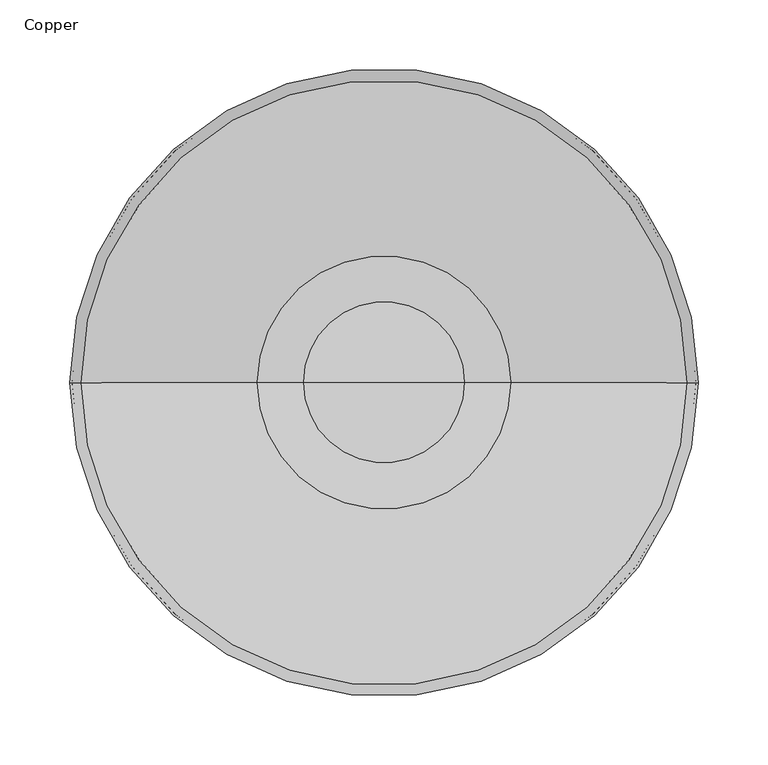
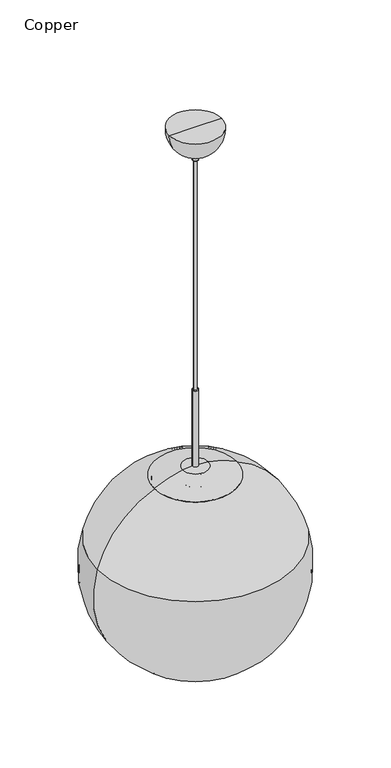
"""IFC4 building model written with IfcOpenShell, lengths in millimetres: furniture geometry, Copper."""

from ifc_helpers import new_model, si_unit, point, frame, origin, place, context, project, spatial, polyline, circle_curve, ellipse_curve, trimmed, source, transform, mapped, element, save
from ifc_brep_helpers import plane_surface, cylinder_surface, revolved_surface, advanced_brep


def copper_a694e643(model_context):
    return source(origin(), model_context, "Body", "AdvancedBrep", [
        advanced_brep(
        [(6.5, 0.0, 1676.4), (-6.5, 0.0, 1676.4), (0.0, 0.0, 1676.4), (6.5, 0.0, 1499.9703979), (-6.5, 0.0, 1499.9703979), (27.7483406, 0.0, 1498.2436523), (-27.7483406, 0.0, 1498.2436523), (90.4472961, 0.0, 1477.15979), (-90.4472961, 0.0, 1477.15979), (89.9688721, 0.0, 1476.2429199), (-89.9688721, 0.0, 1476.2429199), (216.3168679, 0.0, 1333.4532173), (-216.3168679, 0.0, 1333.4532173), (134.9501953, 0.0, 1090.6081543), (-134.9501953, 0.0, 1090.6081543), (131.9643171, 0.0, 1090.6081543), (-131.9643171, 0.0, 1090.6081543), (214.6086103, 0.0, 1332.9601252), (-214.6086103, 0.0, 1332.9601252), (84.5, 0.0, 1476.5761894), (-84.5, 0.0, 1476.5761894), (84.5, 0.0, 1463.8973999), (-84.5, 0.0, 1463.8973999), (24.762, 0.0, 1463.8973999), (-24.762, 0.0, 1463.8973999), (24.0, 0.0, 1463.1353999), (-24.0, 0.0, 1463.1353999), (24.0, 0.0, 1415.8973999), (-24.0, 0.0, 1415.8973999), (22.984, 0.0, 1415.8973999), (-22.984, 0.0, 1415.8973999), (22.984, 0.0, 1463.1353999), (-22.984, 0.0, 1463.1353999), (22.222, 0.0, 1463.8973999), (-22.222, 0.0, 1463.8973999), (0.0, 0.0, 1463.8973999)],
        [
            (0, 1, circle_curve(frame((0.0, 0.0, 1676.4), z_axis=(0.0, 0.0, 1.0), x_axis=(-1.0, 0.0, 0.0)), 6.5)),
            (1, 2),
            (2, 0),
            (1, 0, circle_curve(frame((0.0, 0.0, 1676.4), z_axis=(0.0, 0.0, 1.0), x_axis=(-1.0, 0.0, 0.0)), 6.5)),
            (3, 4, circle_curve(frame((0.0, 0.0, 1499.9703979), z_axis=(0.0, 0.0, 1.0), x_axis=(-1.0, 0.0, 0.0)), 6.5)),
            (4, 1),
            (0, 3),
            (4, 3, circle_curve(frame((0.0, 0.0, 1499.9703979), z_axis=(0.0, 0.0, 1.0), x_axis=(-1.0, 0.0, 0.0)), 6.5)),
            (5, 6, circle_curve(frame((0.0, 0.0, 1498.2436523), z_axis=(0.0, 0.0, 1.0), x_axis=(-1.0, 0.0, 0.0)), 27.7483406)),
            (6, 4, circle_curve(frame((-5.830853, 0.0, 1360.1379422), z_axis=(0.0, 1.0, 0.0), x_axis=(1.0, 0.0, 0.0)), 139.8340568)),
            (3, 5, circle_curve(frame((5.830853, 0.0, 1360.1379422), z_axis=(0.0, 1.0, 0.0), x_axis=(-1.0, 0.0, 0.0)), 139.8340568)),
            (6, 5, circle_curve(frame((0.0, 0.0, 1498.2436523), z_axis=(0.0, 0.0, 1.0), x_axis=(-1.0, 0.0, 0.0)), 27.7483406)),
            (7, 8, circle_curve(frame((0.0, 0.0, 1477.15979), z_axis=(0.0, 0.0, 1.0), x_axis=(-1.0, 0.0, 0.0)), 90.4472961)),
            (8, 6, circle_curve(frame((3.4379908, 0.0, 1301.7334264), z_axis=(0.0, 1.0, 0.0), x_axis=(1.0, 0.0, 0.0)), 198.9694855)),
            (5, 7, circle_curve(frame((-3.4379908, 0.0, 1301.7334264), z_axis=(0.0, 1.0, 0.0), x_axis=(-1.0, 0.0, 0.0)), 198.9694855)),
            (8, 7, circle_curve(frame((0.0, 0.0, 1477.15979), z_axis=(0.0, 0.0, 1.0), x_axis=(-1.0, 0.0, 0.0)), 90.4472961)),
            (9, 10, circle_curve(frame((0.0, 0.0, 1476.2429199), z_axis=(0.0, 0.0, 1.0), x_axis=(-1.0, 0.0, 0.0)), 89.9688721)),
            (10, 8),
            (7, 9),
            (10, 9, circle_curve(frame((0.0, 0.0, 1476.2429199), z_axis=(0.0, 0.0, 1.0), x_axis=(-1.0, 0.0, 0.0)), 89.9688721)),
            (11, 12, circle_curve(frame((0.0, 0.0, 1333.4532173), z_axis=(0.0, 0.0, 1.0), x_axis=(-1.0, 0.0, 0.0)), 216.3168679)),
            (12, 10, circle_curve(frame((-2.8075412, 0.0, 1271.8232975), z_axis=(0.0, 1.0, 0.0), x_axis=(1.0, 0.0, 0.0)), 222.2261902)),
            (9, 11, circle_curve(frame((2.8075412, 0.0, 1271.8232975), z_axis=(0.0, 1.0, 0.0), x_axis=(-1.0, 0.0, 0.0)), 222.2261902)),
            (12, 11, circle_curve(frame((0.0, 0.0, 1333.4532173), z_axis=(0.0, 0.0, 1.0), x_axis=(-1.0, 0.0, 0.0)), 216.3168679)),
            (13, 14, circle_curve(frame((0.0, 0.0, 1090.6081543), z_axis=(0.0, 0.0, 1.0), x_axis=(-1.0, 0.0, 0.0)), 134.9501953)),
            (14, 12, circle_curve(frame((0.2166991, 0.0, 1270.9503442), z_axis=(0.0, 1.0, 0.0), x_axis=(1.0, 0.0, 0.0)), 225.3739)),
            (11, 13, circle_curve(frame((-0.2166991, 0.0, 1270.9503442), z_axis=(0.0, 1.0, 0.0), x_axis=(-1.0, 0.0, 0.0)), 225.3739)),
            (14, 13, circle_curve(frame((0.0, 0.0, 1090.6081543), z_axis=(0.0, 0.0, 1.0), x_axis=(-1.0, 0.0, 0.0)), 134.9501953)),
            (15, 16, circle_curve(frame((0.0, 0.0, 1090.6081543), z_axis=(0.0, 0.0, 1.0), x_axis=(-1.0, 0.0, 0.0)), 131.9643171)),
            (16, 14),
            (13, 15),
            (16, 15, circle_curve(frame((0.0, 0.0, 1090.6081543), z_axis=(0.0, 0.0, 1.0), x_axis=(-1.0, 0.0, 0.0)), 131.9643171)),
            (17, 18, circle_curve(frame((0.0, 0.0, 1332.9601252), z_axis=(0.0, 0.0, 1.0), x_axis=(-1.0, 0.0, 0.0)), 214.6086103)),
            (18, 16, circle_curve(frame((0.2166991, 0.0, 1270.9503442), z_axis=(0.0, -1.0, 0.0), x_axis=(1.0, 0.0, 0.0)), 223.5959)),
            (15, 17, circle_curve(frame((-0.2166991, 0.0, 1270.9503442), z_axis=(0.0, -1.0, 0.0), x_axis=(-1.0, 0.0, 0.0)), 223.5959)),
            (18, 17, circle_curve(frame((0.0, 0.0, 1332.9601252), z_axis=(0.0, 0.0, 1.0), x_axis=(-1.0, 0.0, 0.0)), 214.6086103)),
            (19, 20, circle_curve(frame((0.0, 0.0, 1476.5761894), z_axis=(0.0, 0.0, 1.0), x_axis=(-1.0, 0.0, 0.0)), 84.5)),
            (20, 18, circle_curve(frame((-2.8075412, 0.0, 1271.8232975), z_axis=(0.0, -1.0, 0.0), x_axis=(1.0, 0.0, 0.0)), 220.4481902)),
            (17, 19, circle_curve(frame((2.8075412, 0.0, 1271.8232975), z_axis=(0.0, -1.0, 0.0), x_axis=(-1.0, 0.0, 0.0)), 220.4481902)),
            (20, 19, circle_curve(frame((0.0, 0.0, 1476.5761894), z_axis=(0.0, 0.0, 1.0), x_axis=(-1.0, 0.0, 0.0)), 84.5)),
            (21, 22, circle_curve(frame((0.0, 0.0, 1463.8973999), z_axis=(0.0, 0.0, 1.0), x_axis=(-1.0, 0.0, 0.0)), 84.5)),
            (22, 20),
            (19, 21),
            (22, 21, circle_curve(frame((0.0, 0.0, 1463.8973999), z_axis=(0.0, 0.0, 1.0), x_axis=(-1.0, 0.0, 0.0)), 84.5)),
            (23, 24, circle_curve(frame((0.0, 0.0, 1463.8973999), z_axis=(0.0, 0.0, 1.0), x_axis=(-1.0, 0.0, 0.0)), 24.762)),
            (24, 22),
            (21, 23),
            (24, 23, circle_curve(frame((0.0, 0.0, 1463.8973999), z_axis=(0.0, 0.0, 1.0), x_axis=(-1.0, 0.0, 0.0)), 24.762)),
            (25, 26, circle_curve(frame((0.0, 0.0, 1463.1353999), z_axis=(0.0, 0.0, 1.0), x_axis=(-1.0, 0.0, 0.0)), 24.0)),
            (26, 24, circle_curve(frame((-24.762, 0.0, 1463.1353999), z_axis=(0.0, -1.0, 0.0), x_axis=(1.0, 0.0, 0.0)), 0.762)),
            (23, 25, circle_curve(frame((24.762, 0.0, 1463.1353999), z_axis=(0.0, -1.0, 0.0), x_axis=(-1.0, 0.0, 0.0)), 0.762)),
            (26, 25, circle_curve(frame((0.0, 0.0, 1463.1353999), z_axis=(0.0, 0.0, 1.0), x_axis=(-1.0, 0.0, 0.0)), 24.0)),
            (27, 28, circle_curve(frame((0.0, 0.0, 1415.8973999), z_axis=(0.0, 0.0, 1.0), x_axis=(-1.0, 0.0, 0.0)), 24.0)),
            (28, 26),
            (25, 27),
            (28, 27, circle_curve(frame((0.0, 0.0, 1415.8973999), z_axis=(0.0, 0.0, 1.0), x_axis=(-1.0, 0.0, 0.0)), 24.0)),
            (29, 30, circle_curve(frame((0.0, 0.0, 1415.8973999), z_axis=(0.0, 0.0, 1.0), x_axis=(-1.0, 0.0, 0.0)), 22.984)),
            (30, 28),
            (27, 29),
            (30, 29, circle_curve(frame((0.0, 0.0, 1415.8973999), z_axis=(0.0, 0.0, 1.0), x_axis=(-1.0, 0.0, 0.0)), 22.984)),
            (31, 32, circle_curve(frame((0.0, 0.0, 1463.1353999), z_axis=(0.0, 0.0, 1.0), x_axis=(-1.0, 0.0, 0.0)), 22.984)),
            (32, 30),
            (29, 31),
            (32, 31, circle_curve(frame((0.0, 0.0, 1463.1353999), z_axis=(0.0, 0.0, 1.0), x_axis=(-1.0, 0.0, 0.0)), 22.984)),
            (33, 34, circle_curve(frame((0.0, 0.0, 1463.8973999), z_axis=(0.0, 0.0, 1.0), x_axis=(-1.0, 0.0, 0.0)), 22.222)),
            (34, 32, circle_curve(frame((-22.222, 0.0, 1463.1353999), z_axis=(0.0, -1.0, 0.0), x_axis=(1.0, 0.0, 0.0)), 0.762)),
            (31, 33, circle_curve(frame((22.222, 0.0, 1463.1353999), z_axis=(0.0, -1.0, 0.0), x_axis=(-1.0, 0.0, 0.0)), 0.762)),
            (34, 33, circle_curve(frame((0.0, 0.0, 1463.8973999), z_axis=(0.0, 0.0, 1.0), x_axis=(-1.0, 0.0, 0.0)), 22.222)),
            (35, 34),
            (33, 35),
        ],
        [
            plane_surface(frame((0.0, 0.0, 1676.4), z_axis=(0.0, 0.0, 1.0), x_axis=(-1.0, 0.0, 0.0))),
            cylinder_surface(frame((0.0, 0.0, 1045.5765484), z_axis=(0.0, 0.0, -1.0), x_axis=(-1.0, 0.0, 0.0)), 6.5),
            revolved_surface(trimmed(ellipse_curve(frame((-5.830853, 0.0, 1360.1379422), z_axis=(0.0, -1.0, 0.0), x_axis=(1.0, 0.0, 0.0)), 139.8340568, 139.8340568), [point((-6.5, 0.0, 1499.9703979))], [point((-27.7483406, 0.0, 1498.2436523))], True, "CARTESIAN"), (0.0, 0.0, 1045.5765484), (0.0, 0.0, -1.0)),
            revolved_surface(trimmed(ellipse_curve(frame((3.4379908, 0.0, 1301.7334264), z_axis=(0.0, -1.0, 0.0), x_axis=(1.0, 0.0, 0.0)), 198.9694855, 198.9694855), [point((-27.7483406, 0.0, 1498.2436523))], [point((-90.4472961, 0.0, 1477.15979))], True, "CARTESIAN"), (0.0, 0.0, 1045.5765484), (0.0, 0.0, -1.0)),
            revolved_surface(polyline([(-90.4472961, 0.0, 1477.15979), (-89.9688721, 0.0, 1476.2429199)]), (0.0, 0.0, 1045.5765484), (0.0, 0.0, -1.0)),
            revolved_surface(trimmed(ellipse_curve(frame((-2.8075412, 0.0, 1271.8232975), z_axis=(0.0, -1.0, 0.0), x_axis=(1.0, 0.0, 0.0)), 222.2261902, 222.2261902), [point((-89.9688721, 0.0, 1476.2429199))], [point((-216.3168679, 0.0, 1333.4532173))], True, "CARTESIAN"), (0.0, 0.0, 1045.5765484), (0.0, 0.0, -1.0)),
            revolved_surface(trimmed(ellipse_curve(frame((0.2166991, 0.0, 1270.9503442), z_axis=(0.0, -1.0, 0.0), x_axis=(1.0, 0.0, 0.0)), 225.3739, 225.3739), [point((-216.3168679, 0.0, 1333.4532173))], [point((-134.9501953, 0.0, 1090.6081543))], True, "CARTESIAN"), (0.0, 0.0, 1045.5765484), (0.0, 0.0, -1.0)),
            plane_surface(frame((0.0, 0.0, 1090.6081543), z_axis=(0.0, 0.0, -1.0), x_axis=(-1.0, 0.0, 0.0))),
            revolved_surface(trimmed(ellipse_curve(frame((0.2166991, 0.0, 1270.9503442), z_axis=(0.0, 1.0, 0.0), x_axis=(1.0, 0.0, 0.0)), 223.5959, 223.5959), [point((-131.9643171, 0.0, 1090.6081543))], [point((-214.6086103, 0.0, 1332.9601252))], True, "CARTESIAN"), (0.0, 0.0, 1045.5765484), (0.0, 0.0, -1.0)),
            revolved_surface(trimmed(ellipse_curve(frame((-2.8075412, 0.0, 1271.8232975), z_axis=(0.0, 1.0, 0.0), x_axis=(1.0, 0.0, 0.0)), 220.4481902, 220.4481902), [point((-214.6086103, 0.0, 1332.9601252))], [point((-84.5, 0.0, 1476.5761894))], True, "CARTESIAN"), (0.0, 0.0, 1045.5765484), (0.0, 0.0, -1.0)),
            cylinder_surface(frame((0.0, 0.0, 1045.5765484), z_axis=(0.0, 0.0, -1.0), x_axis=(-1.0, 0.0, 0.0)), 84.5),
            plane_surface(frame((0.0, 0.0, 1463.8973999), z_axis=(0.0, 0.0, -1.0), x_axis=(-1.0, 0.0, 0.0))),
            revolved_surface(trimmed(ellipse_curve(frame((-24.762, 0.0, 1463.1353999), z_axis=(0.0, 1.0, 0.0), x_axis=(1.0, 0.0, 0.0)), 0.762, 0.762), [point((-24.762, 0.0, 1463.8973999))], [point((-24.0, 0.0, 1463.1353999))], True, "CARTESIAN"), (0.0, 0.0, 1045.5765484), (0.0, 0.0, -1.0)),
            cylinder_surface(frame((0.0, 0.0, 1045.5765484), z_axis=(0.0, 0.0, -1.0), x_axis=(-1.0, 0.0, 0.0)), 24.0),
            plane_surface(frame((0.0, 0.0, 1415.8973999), z_axis=(0.0, 0.0, -1.0), x_axis=(-1.0, 0.0, 0.0))),
            revolved_surface(polyline([(-22.984, 0.0, 1415.8973999), (-22.984, 0.0, 1463.1353999)]), (0.0, 0.0, 1045.5765484), (0.0, 0.0, -1.0)),
            revolved_surface(trimmed(ellipse_curve(frame((-22.222, 0.0, 1463.1353999), z_axis=(0.0, 1.0, 0.0), x_axis=(1.0, 0.0, 0.0)), 0.762, 0.762), [point((-22.984, 0.0, 1463.1353999))], [point((-22.222, 0.0, 1463.8973999))], True, "CARTESIAN"), (0.0, 0.0, 1045.5765484), (0.0, 0.0, -1.0)),
        ],
        [
            (0, [[1, 2, 3]]),
            (0, [[4, -3, -2]]),
            (1, [[5, 6, -1, 7]]),
            (1, [[8, -7, -4, -6]]),
            (2, [[9, 10, -5, 11]]),
            (2, [[12, -11, -8, -10]]),
            (3, [[13, 14, -9, 15]]),
            (3, [[16, -15, -12, -14]]),
            (4, [[17, 18, -13, 19]]),
            (4, [[20, -19, -16, -18]]),
            (5, [[21, 22, -17, 23]]),
            (5, [[24, -23, -20, -22]]),
            (6, [[25, 26, -21, 27]]),
            (6, [[28, -27, -24, -26]]),
            (7, [[29, 30, -25, 31]]),
            (7, [[32, -31, -28, -30]]),
            (8, [[33, 34, -29, 35]]),
            (8, [[36, -35, -32, -34]]),
            (9, [[37, 38, -33, 39]]),
            (9, [[40, -39, -36, -38]]),
            (10, [[41, 42, -37, 43]]),
            (10, [[44, -43, -40, -42]]),
            (11, [[45, 46, -41, 47]]),
            (11, [[48, -47, -44, -46]]),
            (12, [[49, 50, -45, 51]]),
            (12, [[52, -51, -48, -50]]),
            (13, [[53, 54, -49, 55]]),
            (13, [[56, -55, -52, -54]]),
            (14, [[57, 58, -53, 59]]),
            (14, [[60, -59, -56, -58]]),
            (15, [[61, 62, -57, 63]]),
            (15, [[64, -63, -60, -62]]),
            (16, [[65, 66, -61, 67]]),
            (16, [[68, -67, -64, -66]]),
            (11, [[69, -65, 70]]),
            (11, [[-70, -68, -69]]),
        ],
    ),
        advanced_brep(
        [(3.556, 0.0, 2209.8), (-3.556, 0.0, 2209.8), (0.0, 0.0, 2209.8), (3.556, 0.0, 1676.4), (-3.556, 0.0, 1676.4), (0.0, 0.0, 1676.4)],
        [
            (0, 1, circle_curve(frame((0.0, 0.0, 2209.8), z_axis=(0.0, 0.0, 1.0), x_axis=(-1.0, 0.0, 0.0)), 3.556)),
            (1, 2),
            (2, 0),
            (1, 0, circle_curve(frame((0.0, 0.0, 2209.8), z_axis=(0.0, 0.0, 1.0), x_axis=(-1.0, 0.0, 0.0)), 3.556)),
            (3, 4, circle_curve(frame((0.0, 0.0, 1676.4), z_axis=(0.0, 0.0, 1.0), x_axis=(-1.0, 0.0, 0.0)), 3.556)),
            (4, 1),
            (0, 3),
            (4, 3, circle_curve(frame((0.0, 0.0, 1676.4), z_axis=(0.0, 0.0, 1.0), x_axis=(-1.0, 0.0, 0.0)), 3.556)),
            (5, 4),
            (3, 5),
        ],
        [
            plane_surface(frame((0.0, 0.0, 2209.8), z_axis=(0.0, 0.0, 1.0), x_axis=(-1.0, 0.0, 0.0))),
            cylinder_surface(frame((0.0, 0.0, 2421.4288111), z_axis=(0.0, 0.0, -1.0), x_axis=(-1.0, 0.0, 0.0)), 3.556),
            plane_surface(frame((0.0, 0.0, 1676.4), z_axis=(0.0, 0.0, -1.0), x_axis=(-1.0, 0.0, 0.0))),
        ],
        [
            (0, [[1, 2, 3]]),
            (0, [[4, -3, -2]]),
            (1, [[5, 6, -1, 7]]),
            (1, [[8, -7, -4, -6]]),
            (2, [[9, -5, 10]]),
            (2, [[-10, -8, -9]]),
        ],
    ),
        advanced_brep(
        [(57.4224398, 0.0, 2286.0), (-57.4224398, 0.0, 2286.0), (0.0, 0.0, 2286.0), (11.2391644, 0.0, 2226.2351074), (-11.2391644, 0.0, 2226.2351074), (7.2539285, 0.0, 2226.2351074), (-7.2539285, 0.0, 2226.2351074), (6.4923271, 0.0, 2225.4977527), (-6.4923271, 0.0, 2225.4977527), (6.0082113, 0.0, 2210.5373547), (-6.0082113, 0.0, 2210.5373547), (5.2466099, 0.0, 2209.8), (-5.2466099, 0.0, 2209.8), (0.0, 0.0, 2209.8)],
        [
            (0, 1, circle_curve(frame((0.0, 0.0, 2286.0), z_axis=(0.0, 0.0, 1.0), x_axis=(-1.0, 0.0, 0.0)), 57.4224398)),
            (1, 2),
            (2, 0),
            (1, 0, circle_curve(frame((0.0, 0.0, 2286.0), z_axis=(0.0, 0.0, 1.0), x_axis=(-1.0, 0.0, 0.0)), 57.4224398)),
            (3, 4, circle_curve(frame((0.0, 0.0, 2226.2351074), z_axis=(0.0, 0.0, 1.0), x_axis=(-1.0, 0.0, 0.0)), 11.2391644)),
            (4, 1, circle_curve(frame((-0.0218276, 0.0, 2282.6297877), z_axis=(0.0, 1.0, 0.0), x_axis=(1.0, 0.0, 0.0)), 57.4994662)),
            (0, 3, circle_curve(frame((0.0218276, 0.0, 2282.6297877), z_axis=(0.0, 1.0, 0.0), x_axis=(-1.0, 0.0, 0.0)), 57.4994662)),
            (4, 3, circle_curve(frame((0.0, 0.0, 2226.2351074), z_axis=(0.0, 0.0, 1.0), x_axis=(-1.0, 0.0, 0.0)), 11.2391644)),
            (5, 6, circle_curve(frame((0.0, 0.0, 2226.2351074), z_axis=(0.0, 0.0, 1.0), x_axis=(-1.0, 0.0, 0.0)), 7.2539285)),
            (6, 4),
            (3, 5),
            (6, 5, circle_curve(frame((0.0, 0.0, 2226.2351074), z_axis=(0.0, 0.0, 1.0), x_axis=(-1.0, 0.0, 0.0)), 7.2539285)),
            (7, 8, circle_curve(frame((0.0, 0.0, 2225.4977527), z_axis=(0.0, 0.0, 1.0), x_axis=(-1.0, 0.0, 0.0)), 6.4923271)),
            (8, 6, circle_curve(frame((-7.2539285, 0.0, 2225.4731074), z_axis=(0.0, -1.0, 0.0), x_axis=(1.0, 0.0, 0.0)), 0.762)),
            (5, 7, circle_curve(frame((7.2539285, 0.0, 2225.4731074), z_axis=(0.0, -1.0, 0.0), x_axis=(-1.0, 0.0, 0.0)), 0.762)),
            (8, 7, circle_curve(frame((0.0, 0.0, 2225.4977527), z_axis=(0.0, 0.0, 1.0), x_axis=(-1.0, 0.0, 0.0)), 6.4923271)),
            (9, 10, circle_curve(frame((0.0, 0.0, 2210.5373547), z_axis=(0.0, 0.0, 1.0), x_axis=(-1.0, 0.0, 0.0)), 6.0082113)),
            (10, 8),
            (7, 9),
            (10, 9, circle_curve(frame((0.0, 0.0, 2210.5373547), z_axis=(0.0, 0.0, 1.0), x_axis=(-1.0, 0.0, 0.0)), 6.0082113)),
            (11, 12, circle_curve(frame((0.0, 0.0, 2209.8), z_axis=(0.0, 0.0, 1.0), x_axis=(-1.0, 0.0, 0.0)), 5.2466099)),
            (12, 10, circle_curve(frame((-5.2466099, 0.0, 2210.562), z_axis=(0.0, 1.0, 0.0), x_axis=(1.0, 0.0, 0.0)), 0.762)),
            (9, 11, circle_curve(frame((5.2466099, 0.0, 2210.562), z_axis=(0.0, 1.0, 0.0), x_axis=(-1.0, 0.0, 0.0)), 0.762)),
            (12, 11, circle_curve(frame((0.0, 0.0, 2209.8), z_axis=(0.0, 0.0, 1.0), x_axis=(-1.0, 0.0, 0.0)), 5.2466099)),
            (13, 12),
            (11, 13),
        ],
        [
            plane_surface(frame((0.0, 0.0, 2286.0), z_axis=(0.0, 0.0, 1.0), x_axis=(-1.0, 0.0, 0.0))),
            revolved_surface(trimmed(ellipse_curve(frame((-0.0218276, 0.0, 2282.6297877), z_axis=(0.0, -1.0, 0.0), x_axis=(1.0, 0.0, 0.0)), 57.4994662, 57.4994662), [point((-57.4224398, 0.0, 2286.0))], [point((-11.2391644, 0.0, 2226.2351074))], True, "CARTESIAN"), (0.0, 0.0, 2311.4), (0.0, 0.0, -1.0)),
            plane_surface(frame((0.0, 0.0, 2226.2351074), z_axis=(0.0, 0.0, -1.0), x_axis=(-1.0, 0.0, 0.0))),
            revolved_surface(trimmed(ellipse_curve(frame((-7.2539285, 0.0, 2225.4731074), z_axis=(0.0, 1.0, 0.0), x_axis=(1.0, 0.0, 0.0)), 0.762, 0.762), [point((-7.2539285, 0.0, 2226.2351074))], [point((-6.4923271, 0.0, 2225.4977527))], True, "CARTESIAN"), (0.0, 0.0, 2311.4), (0.0, 0.0, -1.0)),
            revolved_surface(polyline([(-6.4923271, 0.0, 2225.4977527), (-6.0082113, 0.0, 2210.5373547)]), (0.0, 0.0, 2311.4), (0.0, 0.0, -1.0)),
            revolved_surface(trimmed(ellipse_curve(frame((-5.2466099, 0.0, 2210.562), z_axis=(0.0, -1.0, 0.0), x_axis=(1.0, 0.0, 0.0)), 0.762, 0.762), [point((-6.0082113, 0.0, 2210.5373547))], [point((-5.2466099, 0.0, 2209.8))], True, "CARTESIAN"), (0.0, 0.0, 2311.4), (0.0, 0.0, -1.0)),
            plane_surface(frame((0.0, 0.0, 2209.8), z_axis=(0.0, 0.0, -1.0), x_axis=(-1.0, 0.0, 0.0))),
        ],
        [
            (0, [[1, 2, 3]]),
            (0, [[4, -3, -2]]),
            (1, [[5, 6, -1, 7]]),
            (1, [[8, -7, -4, -6]]),
            (2, [[9, 10, -5, 11]]),
            (2, [[12, -11, -8, -10]]),
            (3, [[13, 14, -9, 15]]),
            (3, [[16, -15, -12, -14]]),
            (4, [[17, 18, -13, 19]]),
            (4, [[20, -19, -16, -18]]),
            (5, [[21, 22, -17, 23]]),
            (5, [[24, -23, -20, -22]]),
            (6, [[25, -21, 26]]),
            (6, [[-26, -24, -25]]),
        ],
    ),
    ])


if __name__ == "__main__":
    model = new_model("IFC4")
    model_context = context("Model", 3, world=origin())
    ifc_project = project(units=[si_unit("LENGTHUNIT", "METRE", prefix="MILLI")], contexts=[model_context])
    site = spatial("IfcSite", under=ifc_project)
    building = spatial("IfcBuilding", under=site)
    placement = place(None, origin())
    copper_shape = copper_a694e643(model_context)
    element("IfcFurniture", 1, ObjectType="Copper", at=placement, inside=building, context=model_context, shape_type="MappedRepresentation", body=[
        mapped(copper_shape, transform((0.0, 0.0, 0.0), x_axis=(1.0, 0.0, 0.0), y_axis=(0.0, 1.0, 0.0), z_axis=(0.0, 0.0, 1.0))),
    ])
    save(model, "model.ifc")
